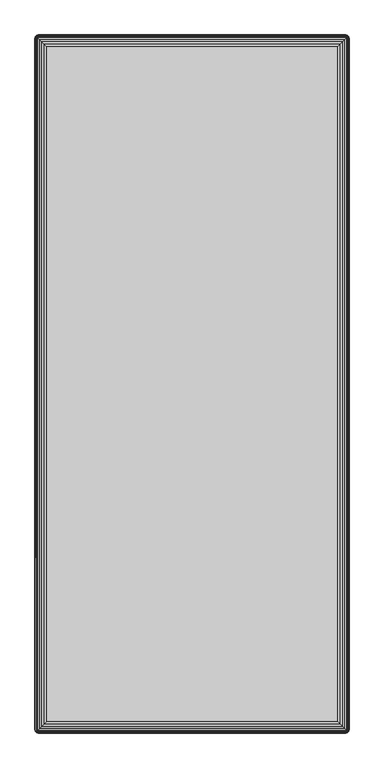
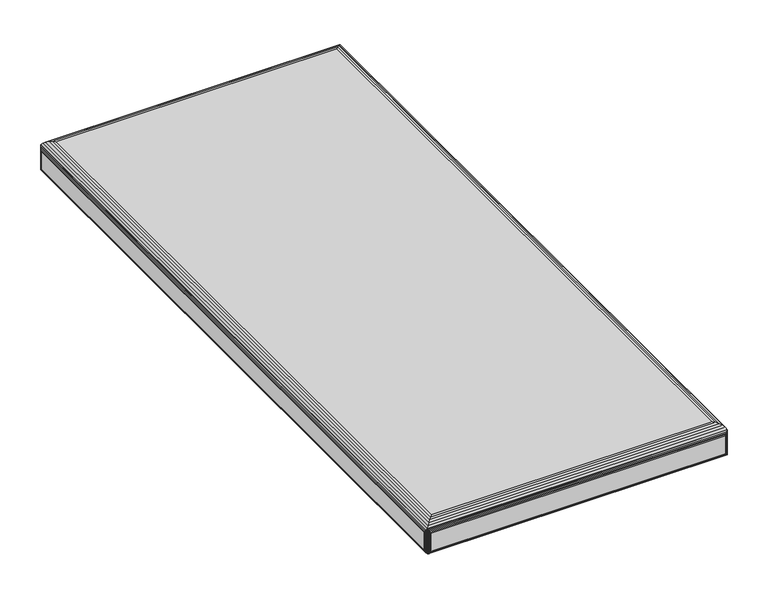
"""IFC4 building model written with IfcOpenShell, lengths in millimetres: furniture geometry."""

import ifcopenshell
import ifcopenshell.guid

model = None  # the IFC model being written
_history = None  # IfcOwnerHistory: only IFC2X3 demands one
_inside = {}  # id of a spatial element -> (the spatial element, [elements in it])
_under = {}  # id of a project, library or spatial element -> (it, [spatial elements below it])
_declared = {}  # id of a project -> (the project, [libraries it declares])
_typed = {}  # id of a type object -> (the type object, [elements of that type])
_made_of = {}  # id of a material, layer set ... -> (it, [elements and type objects made of it])


def new_model(schema):
    """Start an empty IFC model of exactly this schema.

    Asked for "IFC4X3", IfcOpenShell would pick the latest addendum, in which some entities
    have other attributes; the version numbers below select the first issue.
    IFC2X3 requires an IfcOwnerHistory on every rooted entity: one is made here for all.
    """
    global model, _history
    if schema == "IFC4X3":
        model = ifcopenshell.file(schema_version=(4, 3, 0, 0))
    else:
        model = ifcopenshell.file(schema=schema)
    _inside.clear()
    _under.clear()
    _declared.clear()
    _typed.clear()
    _made_of.clear()
    _history = None
    if model.schema == "IFC2X3":
        org = make("IfcOrganization", Name="unknown")
        user = make(
            "IfcPersonAndOrganization",
            ThePerson=make("IfcPerson", FamilyName="unknown"),
            TheOrganization=org,
        )
        app = make(
            "IfcApplication",
            ApplicationDeveloper=org,
            Version="unknown",
            ApplicationFullName="unknown",
            ApplicationIdentifier="unknown",
        )
        _history = make(
            "IfcOwnerHistory",
            OwningUser=user,
            OwningApplication=app,
            ChangeAction="ADDED",
            CreationDate=0,
        )
    return model


def make(cls, **values):
    """One entity of the class cls with the attributes given. An attribute that is None is left unset."""
    return model.create_entity(
        cls, **{name: value for name, value in values.items() if value is not None}
    )


def rooted(cls, **values):
    """An entity with a GlobalId (a new one), such as an element, a storey or a relation."""
    return make(cls, GlobalId=ifcopenshell.guid.new(), OwnerHistory=_history, **values)


def si_unit(unit_type, name, prefix=None):
    """IfcSIUnit, for example si_unit("LENGTHUNIT", "METRE", prefix="MILLI")."""
    return make("IfcSIUnit", UnitType=unit_type, Prefix=prefix, Name=name)


def assignment(units):
    """IfcUnitAssignment: the units of a project."""
    return None if units is None else make("IfcUnitAssignment", Units=units)


def point(xyz):
    """IfcCartesianPoint."""
    return None if xyz is None else make("IfcCartesianPoint", Coordinates=xyz)


def direction(xyz):
    """IfcDirection."""
    return None if xyz is None else make("IfcDirection", DirectionRatios=xyz)


def frame(location, z_axis=None, x_axis=None):
    """IfcAxis2Placement3D, a coordinate frame: its origin and axes. An axis left out is left unset."""
    return make(
        "IfcAxis2Placement3D",
        Location=point(location),
        Axis=direction(z_axis),
        RefDirection=direction(x_axis),
    )


def origin():
    """The frame at (0, 0, 0) with its axes left unset."""
    return frame((0.0, 0.0, 0.0))


def place(relative_to, where):
    """IfcLocalPlacement: puts the frame where relative to a parent placement (None: the world)."""
    return make(
        "IfcLocalPlacement", PlacementRelTo=relative_to, RelativePlacement=where
    )


def context(
    kind, dimensions, precision=None, world=None, true_north=None, identifier=None
):
    """IfcGeometricRepresentationContext, for example the 3D "Model" context."""
    return make(
        "IfcGeometricRepresentationContext",
        ContextIdentifier=identifier,
        ContextType=kind,
        CoordinateSpaceDimension=dimensions,
        Precision=precision,
        WorldCoordinateSystem=world,
        TrueNorth=true_north,
    )


def project(units=None, contexts=None):
    """IfcProject with its units and contexts."""
    return rooted(
        "IfcProject",
        Name="project",
        RepresentationContexts=contexts,
        UnitsInContext=assignment(units),
    )


def spatial(cls, under=None, at=None, **own):
    """A site, building, storey or space (cls), placed at a placement, below another one or the project."""
    s = rooted(cls, ObjectPlacement=at, **own)
    if under is not None:
        _under.setdefault(under.id(), (under, []))[1].append(s)
    return s


def point_list(points):
    """IfcCartesianPointList2D or 3D."""
    cls = (
        "IfcCartesianPointList2D" if len(points[0]) == 2 else "IfcCartesianPointList3D"
    )
    return make(cls, CoordList=points)


def triangles(points, corners, closed=None, point_numbers=None):
    """IfcTriangulatedFaceSet: each triangle names its three corners, points numbered from 1."""
    return make(
        "IfcTriangulatedFaceSet",
        Coordinates=point_list(points),
        Closed=closed,
        CoordIndex=corners,
        PnIndex=point_numbers,
    )


def shape(context_of_items, identifier, shape_type, items):
    """IfcShapeRepresentation: the items that make up one representation, for example the "Body"."""
    return make(
        "IfcShapeRepresentation",
        ContextOfItems=context_of_items,
        RepresentationIdentifier=identifier,
        RepresentationType=shape_type,
        Items=items,
    )


def source(mapping_origin, context_of_items, identifier, shape_type, items):
    """IfcRepresentationMap: a shape defined once, which mapped items show again and again."""
    return make(
        "IfcRepresentationMap",
        MappingOrigin=mapping_origin,
        MappedRepresentation=shape(context_of_items, identifier, shape_type, items),
    )


def transform(
    local_origin,
    x_axis=None,
    y_axis=None,
    z_axis=None,
    scale=None,
    scale2=None,
    scale3=None,
    uniform=True,
):
    """IfcCartesianTransformationOperator3D, or its non-uniform kind. x_axis, y_axis, z_axis: its Axis1, 2, 3."""
    if uniform:
        return make(
            "IfcCartesianTransformationOperator3D",
            Axis1=direction(x_axis),
            Axis2=direction(y_axis),
            LocalOrigin=point(local_origin),
            Scale=scale,
            Axis3=direction(z_axis),
        )
    return make(
        "IfcCartesianTransformationOperator3DnonUniform",
        Axis1=direction(x_axis),
        Axis2=direction(y_axis),
        LocalOrigin=point(local_origin),
        Scale=scale,
        Axis3=direction(z_axis),
        Scale2=scale2,
        Scale3=scale3,
    )


def mapped(mapping_source, mapping_target):
    """IfcMappedItem: shows the shape of a source again, moved by a transform."""
    return make(
        "IfcMappedItem", MappingSource=mapping_source, MappingTarget=mapping_target
    )


def made_of(thing, what):
    """Note that an element or type object is made of a material, layer set ...; save() writes the relation."""
    if what is not None:
        _made_of.setdefault(what.id(), (what, []))[1].append(thing)
    return thing


def element(
    cls,
    number,
    at=None,
    inside=None,
    cuts=None,
    type_object=None,
    material=None,
    context=None,
    identifier="Body",
    shape_type=None,
    held_by="IfcProductDefinitionShape",
    body=None,
    shapes=None,
    **own,
):
    """One element of the class cls, such as IfcWall. Its Tag is "e" and its number.

    at: its placement. inside: the storey or other place that contains it. cuts: it is an
    opening in that element (IfcRelVoidsElement). A single representation is given by context,
    identifier, shape_type and body (its items); several are given by shapes. held_by: the class
    of the entity that holds the representations. save() writes the other relations.
    """
    e = rooted(cls, Tag="e%d" % number, ObjectPlacement=at, **own)
    if body is not None:
        shapes = [shape(context, identifier, shape_type, body)]
    if shapes is not None:
        e.Representation = make(held_by, Representations=shapes)
    if inside is not None:
        _inside.setdefault(inside.id(), (inside, []))[1].append(e)
    if cuts is not None:
        rooted(
            "IfcRelVoidsElement", RelatingBuildingElement=cuts, RelatedOpeningElement=e
        )
    if type_object is not None:
        _typed.setdefault(type_object.id(), (type_object, []))[1].append(e)
    return made_of(e, material)


def aggregate(whole, parts):
    """IfcRelAggregates: a whole, such as a stair, and the parts it consists of."""
    return rooted("IfcRelAggregates", RelatingObject=whole, RelatedObjects=parts)


def save(model, path):
    """Write the relations noted so far, then the file.

    IfcRelAggregates (storeys below a building ...), IfcRelContainedInSpatialStructure (elements
    in a storey), IfcRelDefinesByType, IfcRelAssociatesMaterial and IfcRelDeclares: one each for
    every whole, place, type object, material and project.
    """
    for whole, parts in _under.values():
        aggregate(whole, parts)
    for where, things in _inside.values():
        rooted(
            "IfcRelContainedInSpatialStructure",
            RelatedElements=things,
            RelatingStructure=where,
        )
    for kind, things in _typed.values():
        rooted("IfcRelDefinesByType", RelatedObjects=things, RelatingType=kind)
    for what, things in _made_of.values():
        rooted("IfcRelAssociatesMaterial", RelatedObjects=things, RelatingMaterial=what)
    for by, libraries in _declared.values():
        rooted("IfcRelDeclares", RelatingContext=by, RelatedDefinitions=libraries)
    model.write(path)


def furniture_f7dd4dbd(model_context):
    return source(origin(), model_context, "Body", "Tessellation", [
        triangles([(2419.8401674, 2803.2111569, 400.0000031), (2419.8401674, 3763.2111533, 400.0000031), (2829.8401415, 3763.2111533, 400.0000031), (2829.8401415, 2803.2111569, 400.0000031), (2419.8401674, 2803.2111569, 411.9999973), (2829.8401415, 2803.2111569, 411.9999973), (2419.8401674, 3763.2111533, 411.9999973), (2829.8401415, 3763.2111533, 411.9999973), (2402.3131849, 3782.0651442, 414.4729932), (2401.5971676, 3781.4541532, 413.7570122), (2401.8931524, 3781.7301538, 452.722984), (2402.8061781, 3782.3871449, 451.0670168), (2403.1161882, 3782.5571563, 415.2759965), (2401.7431616, 3781.5951511, 453.0079957), (2401.5971676, 3781.4541532, 453.2899916), (2403.7931818, 3782.8511609, 449.3739879), (2403.9861933, 3782.9171453, 416.1460015), (2404.901181, 3783.1371536, 417.0609893), (2404.8171745, 3783.1231465, 447.675), (2405.8401499, 3783.2111499, 445.9999932), (2405.8401499, 3783.2111499, 417.9999945), (2401.321167, 3781.1581502, 452.722984), (2401.4561878, 3781.3081592, 453.0079957), (2400.9861584, 3780.738154, 414.4729932), (2400.4941826, 3779.9351507, 415.2759965), (2400.6641577, 3780.2451608, 451.0670168), (2400.1341755, 3779.0651457, 416.1460015), (2400.2001598, 3779.2581571, 449.3739879), (2399.9281561, 3778.2341462, 447.675), (2399.9141308, 3778.1501579, 417.0609893), (2399.8401527, 3777.2111527, 417.9999945), (2399.8401527, 3777.2111527, 445.9999932), (2847.367124, 3782.0651442, 414.4729932), (2848.083214, 3781.4541532, 413.7570122), (2846.5641207, 3782.5571563, 415.2759965), (2845.6941156, 3782.9171453, 416.1460015), (2844.7792005, 3783.1371536, 417.0609893), (2843.840159, 3783.2111499, 417.9999945), (2402.3131849, 3780.738154, 413.146003), (2847.367124, 3780.738154, 413.146003), (2846.5641207, 3779.9351507, 412.6539908), (2403.1161882, 3779.9351507, 412.6539908), (2845.6941156, 3779.0651457, 412.2939837), (2403.9861933, 3779.0651457, 412.2939837), (2404.901181, 3778.1501579, 412.0740117), (2844.7792005, 3778.1501579, 412.0740117), (2843.840159, 3777.2111527, 411.9999973), (2405.8401499, 3777.2111527, 411.9999973), (2843.840159, 3783.2111499, 445.9999932), (2845.8871271, 3782.8511609, 449.3739879), (2844.863207, 3783.1231465, 447.675), (2846.8741308, 3782.3871449, 451.0670168), (2847.7871565, 3781.7301538, 452.722984), (2847.9371473, 3781.5951511, 453.0079957), (2848.083214, 3781.4541532, 453.2899916), (2403.527137, 3779.5241474, 456.2169931), (2846.1530992, 3779.5241474, 456.2169931), (2843.6321775, 3777.0041523, 458.653), (2406.0481314, 3777.0041523, 458.653), (2409.0381378, 3774.0131466, 460.4819944), (2840.6420984, 3774.0131466, 460.4819944), (2412.3551592, 3770.6961434, 461.6160095), (2837.3251497, 3770.6961434, 461.6160095), (2415.8401935, 3767.2111454, 461.9999977), (2833.840188, 3767.2111454, 461.9999977), (2848.6942232, 3780.738154, 414.4729932), (2848.3592146, 3781.1581502, 452.722984), (2849.0161512, 3780.2451608, 451.0670168), (2849.186199, 3779.9351507, 415.2759965), (2848.2241937, 3781.3081592, 453.0079957), (2849.4802217, 3779.2581571, 449.3739879), (2849.5462061, 3779.0651457, 416.1460015), (2849.7661054, 3778.1501579, 417.0609893), (2849.7521528, 3778.2341462, 447.675), (2849.8402288, 3777.2111527, 445.9999932), (2849.8402288, 3777.2111527, 417.9999945), (2400.9861584, 2785.6841744, 414.4729932), (2401.5971676, 2784.9681571, 413.7570122), (2401.321167, 2785.2641419, 452.722984), (2400.6641577, 2786.1771676, 451.0670168), (2400.4941826, 2786.4871777, 415.2759965), (2401.4561878, 2785.1141511, 453.0079957), (2401.5971676, 2784.9681571, 453.2899916), (2400.2001598, 2787.1641713, 449.3739879), (2400.1341755, 2787.3571828, 416.1460015), (2399.9141308, 2788.2721705, 417.0609893), (2399.9281561, 2788.188164, 447.675), (2399.8401527, 2789.2111394, 445.9999932), (2399.8401527, 2789.2111394, 417.9999945), (2401.8931524, 2784.6921565, 452.722984), (2401.7431616, 2784.8271773, 453.0079957), (2402.3131849, 2784.3571479, 414.4729932), (2403.1161882, 2783.8651721, 415.2759965), (2402.8061781, 2784.0351472, 451.0670168), (2403.9861933, 2783.505165, 416.1460015), (2403.7931818, 2783.5711493, 449.3739879), (2404.8171745, 2783.2991456, 447.675), (2404.901181, 2783.2851203, 417.0609893), (2405.8401499, 2783.2111422, 417.9999945), (2405.8401499, 2783.2111422, 445.9999932), (2403.527137, 2786.8981265, 456.2169931), (2406.0481314, 2789.4181761, 458.653), (2409.0381378, 2792.4091273, 460.4819944), (2412.3551592, 2795.7261487, 461.6160095), (2415.8401935, 2799.211183, 461.9999977), (2847.7871565, 2784.6921565, 452.722984), (2847.9371473, 2784.8271773, 453.0079957), (2848.083214, 2784.9681571, 453.2899916), (2846.8741308, 2784.0351472, 451.0670168), (2845.8871271, 2783.5711493, 449.3739879), (2844.863207, 2783.2991456, 447.675), (2843.840159, 2783.2111422, 445.9999932), (2846.1530992, 2786.8981265, 456.2169931), (2843.6321775, 2789.4181761, 458.653), (2840.6420984, 2792.4091273, 460.4819944), (2837.3251497, 2795.7261487, 461.6160095), (2833.840188, 2799.211183, 461.9999977), (2843.840159, 2783.2111422, 417.9999945), (2847.367124, 2784.3571479, 414.4729932), (2848.083214, 2784.9681571, 413.7570122), (2846.5641207, 2783.8651721, 415.2759965), (2845.6941156, 2783.505165, 416.1460015), (2844.7792005, 2783.2851203, 417.0609893), (2848.3592146, 2785.2641419, 452.722984), (2848.2241937, 2785.1141511, 453.0079957), (2848.6942232, 2785.6841744, 414.4729932), (2849.186199, 2786.4871777, 415.2759965), (2849.0161512, 2786.1771676, 451.0670168), (2849.5462061, 2787.3571828, 416.1460015), (2849.4802217, 2787.1641713, 449.3739879), (2849.7521528, 2788.188164, 447.675), (2849.7661054, 2788.2721705, 417.0609893), (2849.8402288, 2789.2111394, 417.9999945), (2849.8402288, 2789.2111394, 445.9999932), (2847.367124, 2785.6841744, 413.146003), (2402.3131849, 2785.6841744, 413.146003), (2403.1161882, 2786.4871777, 412.6539908), (2846.5641207, 2786.4871777, 412.6539908), (2403.9861933, 2787.3571828, 412.2939837), (2845.6941156, 2787.3571828, 412.2939837), (2844.7792005, 2788.2721705, 412.0740117), (2404.901181, 2788.2721705, 412.0740117), (2405.8401499, 2789.2111394, 411.9999973), (2843.840159, 2789.2111394, 411.9999973)], [[1, 2, 3], [1, 3, 4], [5, 1, 4], [6, 5, 4], [7, 2, 1], [5, 7, 1], [8, 3, 2], [7, 8, 2], [6, 4, 3], [8, 6, 3], [7, 5, 6], [8, 7, 6], [11, 9, 10], [11, 12, 13], [11, 13, 9], [10, 14, 11], [10, 15, 14], [13, 12, 16], [13, 16, 17], [19, 18, 17], [19, 20, 21], [19, 21, 18], [17, 16, 19], [22, 23, 15], [24, 22, 15], [24, 25, 26], [24, 26, 22], [15, 10, 24], [26, 25, 27], [26, 27, 28], [30, 29, 28], [30, 31, 32], [30, 32, 29], [28, 27, 30], [9, 33, 34], [9, 13, 35], [9, 35, 33], [34, 10, 9], [35, 13, 17], [35, 17, 36], [18, 37, 36], [18, 21, 38], [18, 38, 37], [36, 17, 18], [40, 39, 10], [40, 41, 42], [40, 42, 39], [10, 34, 40], [42, 41, 43], [42, 43, 44], [46, 45, 44], [46, 47, 48], [46, 48, 45], [44, 43, 46], [38, 21, 20], [49, 38, 20], [50, 19, 16], [51, 49, 20], [51, 20, 19], [19, 50, 51], [11, 14, 15], [15, 12, 11], [52, 12, 15], [52, 50, 16], [52, 16, 12], [15, 53, 52], [15, 54, 53], [15, 55, 54], [55, 15, 56], [55, 56, 57], [59, 58, 57], [59, 60, 61], [59, 61, 58], [57, 56, 59], [61, 60, 62], [61, 62, 63], [63, 62, 64], [63, 64, 65], [67, 66, 34], [67, 68, 69], [67, 69, 66], [34, 70, 67], [34, 55, 70], [69, 68, 71], [69, 71, 72], [74, 73, 72], [74, 75, 76], [74, 76, 73], [72, 71, 74], [53, 54, 55], [33, 53, 55], [33, 35, 52], [33, 52, 53], [55, 34, 33], [52, 35, 36], [52, 36, 50], [37, 51, 50], [37, 38, 49], [37, 49, 51], [50, 36, 37], [79, 77, 78], [79, 80, 81], [79, 81, 77], [78, 82, 79], [78, 83, 82], [81, 80, 84], [81, 84, 85], [87, 86, 85], [87, 88, 89], [87, 89, 86], [85, 84, 87], [90, 91, 83], [92, 90, 83], [92, 93, 94], [92, 94, 90], [83, 78, 92], [94, 93, 95], [94, 95, 96], [98, 97, 96], [98, 99, 100], [98, 100, 97], [96, 95, 98], [79, 82, 83], [83, 80, 79], [26, 80, 83], [26, 28, 84], [26, 84, 80], [83, 22, 26], [83, 23, 22], [83, 15, 23], [29, 87, 84], [29, 32, 88], [29, 88, 87], [84, 28, 29], [15, 83, 101], [15, 101, 56], [102, 59, 56], [102, 103, 60], [102, 60, 59], [56, 101, 102], [60, 103, 104], [60, 104, 62], [62, 104, 105], [62, 105, 64], [106, 107, 108], [108, 109, 106], [94, 109, 108], [94, 96, 110], [94, 110, 109], [108, 90, 94], [108, 91, 90], [108, 83, 91], [97, 111, 110], [97, 100, 112], [97, 112, 111], [110, 96, 97], [83, 108, 113], [83, 113, 101], [114, 102, 101], [114, 115, 103], [114, 103, 102], [101, 113, 114], [103, 115, 116], [103, 116, 104], [104, 116, 117], [104, 117, 105], [112, 100, 99], [118, 112, 99], [106, 119, 120], [106, 109, 121], [106, 121, 119], [120, 107, 106], [120, 108, 107], [121, 109, 110], [121, 110, 122], [111, 123, 122], [111, 112, 118], [111, 118, 123], [122, 110, 111], [124, 125, 108], [126, 124, 108], [126, 127, 128], [126, 128, 124], [108, 120, 126], [128, 127, 129], [128, 129, 130], [132, 131, 130], [132, 133, 134], [132, 134, 131], [130, 129, 132], [130, 74, 71], [131, 134, 75], [131, 75, 74], [74, 130, 131], [67, 70, 55], [55, 68, 67], [128, 68, 55], [128, 130, 71], [128, 71, 68], [55, 124, 128], [55, 125, 124], [55, 108, 125], [108, 55, 57], [108, 57, 113], [58, 114, 113], [58, 61, 115], [58, 115, 114], [113, 57, 58], [115, 61, 63], [115, 63, 116], [116, 63, 65], [116, 65, 117], [122, 98, 95], [123, 118, 99], [123, 99, 98], [98, 122, 123], [122, 95, 93], [121, 122, 93], [120, 92, 78], [119, 121, 93], [119, 93, 92], [92, 120, 119], [136, 135, 120], [136, 137, 138], [136, 138, 135], [120, 78, 136], [138, 137, 139], [138, 139, 140], [142, 141, 140], [142, 143, 144], [142, 144, 141], [140, 139, 142], [85, 30, 27], [86, 89, 31], [86, 31, 30], [30, 85, 86], [85, 27, 25], [81, 85, 25], [78, 24, 10], [77, 81, 25], [77, 25, 24], [24, 78, 77], [39, 136, 78], [39, 42, 137], [39, 137, 136], [78, 10, 39], [137, 42, 44], [137, 44, 139], [45, 142, 139], [45, 48, 143], [45, 143, 142], [139, 44, 45], [66, 126, 120], [66, 69, 127], [66, 127, 126], [120, 34, 66], [127, 69, 72], [127, 72, 129], [73, 132, 129], [73, 76, 133], [73, 133, 132], [129, 72, 73], [135, 40, 34], [135, 138, 41], [135, 41, 40], [34, 120, 135], [41, 138, 140], [41, 140, 43], [141, 46, 43], [141, 144, 47], [141, 47, 46], [43, 140, 141], [88, 32, 31], [89, 88, 31], [143, 48, 47], [143, 47, 144], [117, 65, 64], [105, 117, 64], [133, 76, 75], [134, 133, 75]]),
    ])


if __name__ == "__main__":
    model = new_model("IFC4")
    model_context = context("Model", 3, world=origin())
    ifc_project = project(units=[si_unit("LENGTHUNIT", "METRE", prefix="MILLI")], contexts=[model_context])
    site = spatial("IfcSite", under=ifc_project)
    building = spatial("IfcBuilding", under=site)
    placement = place(None, origin())
    furniture_shape = furniture_f7dd4dbd(model_context)
    element("IfcFurniture", 1, at=placement, inside=building, context=model_context, shape_type="MappedRepresentation", body=[
        mapped(furniture_shape, transform((0.0, 0.0, 0.0), x_axis=(1.0, 0.0, 0.0), y_axis=(0.0, 1.0, 0.0), z_axis=(0.0, 0.0, 1.0))),
    ])
    save(model, "model.ifc")
